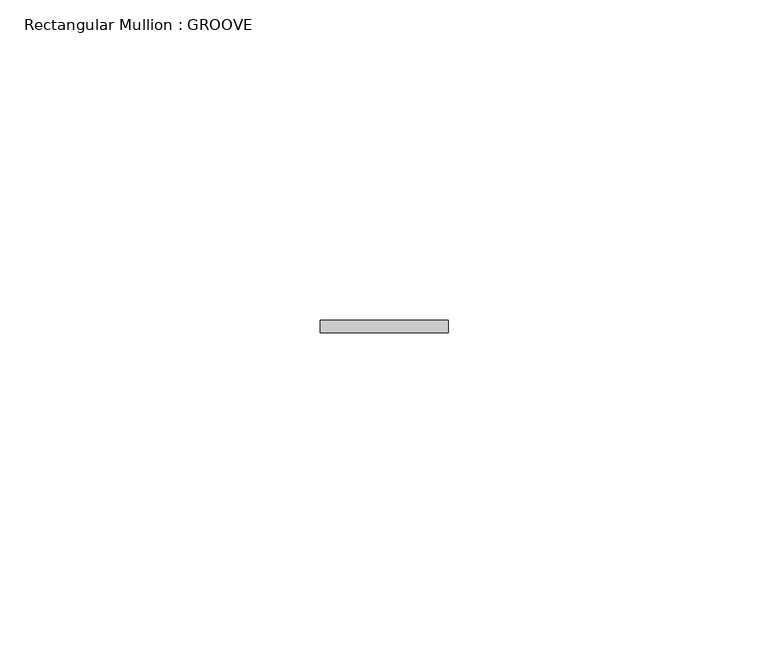
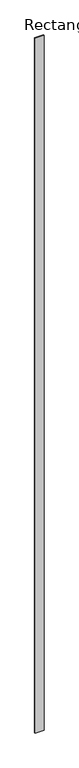
"""IFC4 building model written with IfcOpenShell, lengths in millimetres: member geometry, Rectangular Mullion : GROOVE."""

from ifc_helpers import new_model, si_unit, frame, origin, place, context, project, spatial, polyline, outline, extrude, source, transform, mapped, element, save


def rectangular_mullion_groove_0259fc35(model_context):
    return source(origin(), model_context, "Body", "SweptSolid", [
        extrude(outline(polyline([(10.0, 51.0), (10.0, 49.0), (-10.0, 49.0), (-10.0, 51.0), (10.0, 51.0)])), frame((0.0, 0.0, -1676.2934936), z_axis=(0.0, 0.0, 1.0), x_axis=(1.0, 0.0, 0.0)), (0.0, 0.0, 1.0), 1676.2934936),
    ])


if __name__ == "__main__":
    model = new_model("IFC4")
    model_context = context("Model", 3, world=origin())
    ifc_project = project(units=[si_unit("LENGTHUNIT", "METRE", prefix="MILLI")], contexts=[model_context])
    site = spatial("IfcSite", under=ifc_project)
    building = spatial("IfcBuilding", under=site)
    placement = place(None, origin())
    rectangular_mullion_groove_shape = rectangular_mullion_groove_0259fc35(model_context)
    element("IfcMember", 1, ObjectType="Rectangular Mullion : GROOVE", at=placement, inside=building, context=model_context, shape_type="MappedRepresentation", body=[
        mapped(rectangular_mullion_groove_shape, transform((0.0, 0.0, 0.0), x_axis=(1.0, 0.0, 0.0), y_axis=(0.0, 1.0, 0.0), z_axis=(0.0, 0.0, 1.0))),
    ])
    save(model, "model.ifc")
